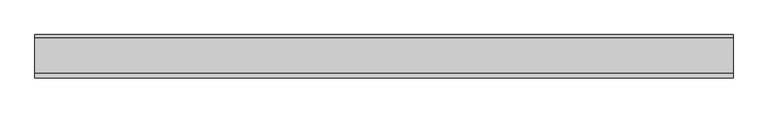
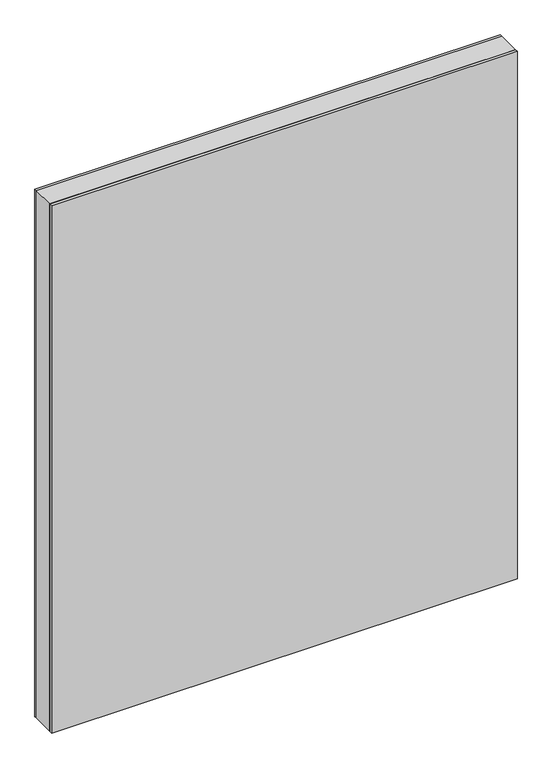
"""IFC4 building model written with IfcOpenShell, lengths in millimetres: plate geometry."""

from ifc_helpers import new_model, si_unit, frame, origin, origin_with_axes, place, context, project, spatial, polyline, outline, extrude, source, transform, mapped, element, save


def plate_d4a1e136(model_context):
    return source(origin(), model_context, "Body", "SweptSolid", [
        extrude(outline(polyline([(1440.75, -602.1874999), (0.0, -602.1874999), (0.0, 602.1874999), (1440.75, 602.1874999), (1440.75, -602.1874999)]), holes=[polyline([(1439.75, -601.1874999), (1439.75, 601.1874999), (1.0, 601.1874999), (1.0, -601.1874999), (1439.75, -601.1874999)])]), frame((0.0, -29.2, 0.0), z_axis=(0.0, 1.0, 0.0), x_axis=(0.0, 0.0, 1.0)), (0.0, 0.0, 1.0), 60.4),
        extrude(outline(polyline([(602.1874999, 31.2), (-602.1874999, 31.2), (-602.1874999, 37.2), (602.1874999, 37.2), (602.1874999, 31.2)])), origin_with_axes(), (0.0, 0.0, 1.0), 1440.75),
        extrude(outline(polyline([(-602.1874999, -37.2), (-602.1874999, -29.2), (602.1874999, -29.2), (602.1874999, -37.2), (-602.1874999, -37.2)])), origin_with_axes(), (0.0, 0.0, 1.0), 1440.75),
    ])


if __name__ == "__main__":
    model = new_model("IFC4")
    model_context = context("Model", 3, world=origin())
    ifc_project = project(units=[si_unit("LENGTHUNIT", "METRE", prefix="MILLI")], contexts=[model_context])
    site = spatial("IfcSite", under=ifc_project)
    building = spatial("IfcBuilding", under=site)
    placement = place(None, origin())
    plate_shape = plate_d4a1e136(model_context)
    element("IfcPlate", 1, at=placement, inside=building, context=model_context, shape_type="MappedRepresentation", body=[
        mapped(plate_shape, transform((0.0, 0.0, 0.0), x_axis=(1.0, 0.0, 0.0), y_axis=(0.0, 1.0, 0.0), z_axis=(0.0, 0.0, 1.0))),
    ])
    save(model, "model.ifc")
